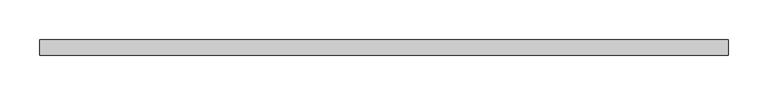
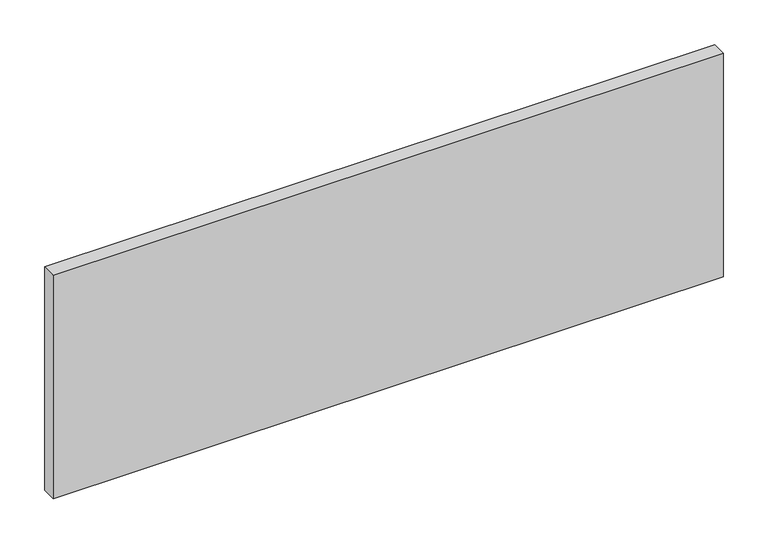
"""IFC4 building model written with IfcOpenShell, lengths in millimetres: furniture geometry."""

from ifc_helpers import new_model, si_unit, frame, origin, place, context, project, spatial, polyline, outline, extrude, source, transform, mapped, element, save


def furniture_3b9a1f04(model_context):
    return source(origin(), model_context, "Body", "SweptSolid", [
        extrude(outline(polyline([(863.6, 57.15), (863.6, 38.1), (0.0, 38.1), (0.0, 57.15), (863.6, 57.15)])), frame((0.0, 0.0, 1036.1701109), z_axis=(0.0, 0.0, 1.0), x_axis=(1.0, 0.0, 0.0)), (0.0, 0.0, 1.0), 304.8),
    ])


if __name__ == "__main__":
    model = new_model("IFC4")
    model_context = context("Model", 3, world=origin())
    ifc_project = project(units=[si_unit("LENGTHUNIT", "METRE", prefix="MILLI")], contexts=[model_context])
    site = spatial("IfcSite", under=ifc_project)
    building = spatial("IfcBuilding", under=site)
    placement = place(None, origin())
    furniture_shape = furniture_3b9a1f04(model_context)
    element("IfcFurniture", 1, at=placement, inside=building, context=model_context, shape_type="MappedRepresentation", body=[
        mapped(furniture_shape, transform((0.0, 0.0, 0.0), x_axis=(1.0, 0.0, 0.0), y_axis=(0.0, 1.0, 0.0), z_axis=(0.0, 0.0, 1.0))),
    ])
    save(model, "model.ifc")
